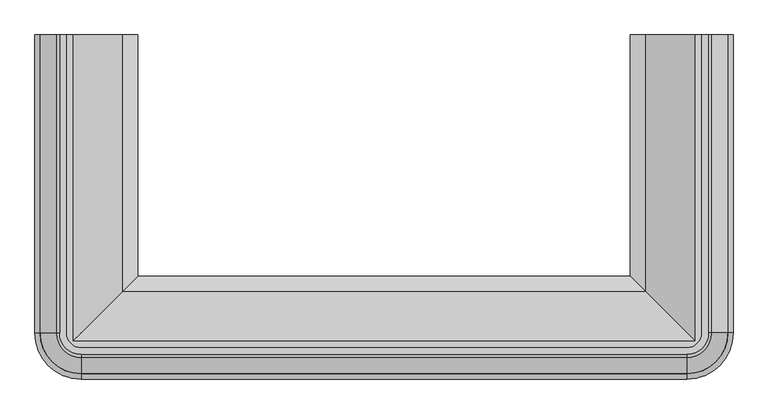
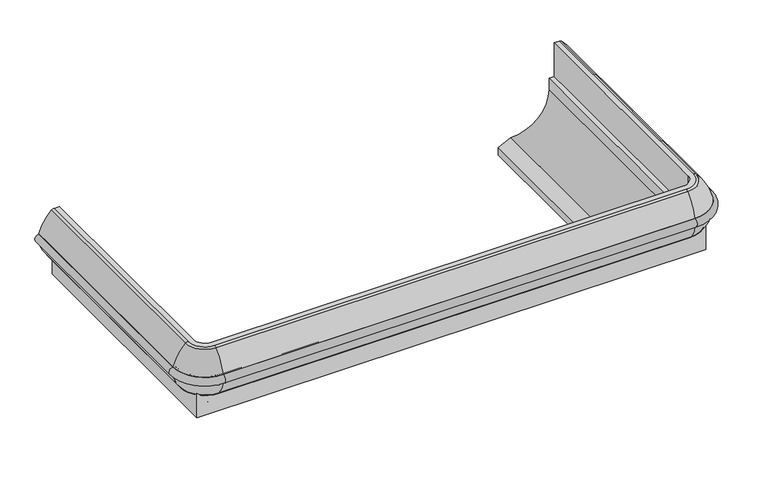
"""IFC4 building model written with IfcOpenShell, lengths in millimetres: proxy geometry."""

from ifc_helpers import new_model, si_unit, point, frame, origin, place, context, project, spatial, polyline, circle_curve, ellipse_curve, trimmed, source, transform, mapped, element, save
from ifc_brep_helpers import plane_surface, cylinder_surface, revolved_surface, advanced_brep


def mechanical_equipment_34b29ff3(model_context):
    return source(origin(), model_context, "Body", "AdvancedBrep", [
        advanced_brep(
        [(17.1230816, -349.0071273, 597.408978), (18.4723382, -349.0071273, 562.7549671), (17.1230816, -1300.0871874, 597.408978), (18.4723382, -1300.0871874, 562.7549671), (147.4699399, -1430.4340457, 597.408978), (147.4699399, -1429.0847891, 562.7549671), (2081.3800601, -1430.4340457, 597.408978), (2081.3800601, -1429.0847891, 562.7549671), (2211.7269184, -1300.0871874, 597.408978), (2210.3776618, -1300.0871874, 562.7549671), (2211.7269184, -349.0071273, 597.408978), (2210.3776618, -349.0071273, 562.7549671)],
        [
            (0, 1, circle_curve(frame((17.9017862, -349.0071273, 580.0860248), z_axis=(0.0, 1.0, 0.0), x_axis=(1.0, 0.0, 0.0)), 17.3404466)),
            (1, 0, circle_curve(frame((17.6936337, -349.0071273, 580.0779203), z_axis=(0.0, 1.0, 0.0), x_axis=(1.0, 0.0, 0.0)), 17.3404466)),
            (0, 2),
            (2, 3, circle_curve(frame((17.9017862, -1300.0871874, 580.0860248), z_axis=(0.0, 1.0, 0.0), x_axis=(1.0, 0.0, 0.0)), 17.3404466)),
            (3, 1),
            (3, 2, circle_curve(frame((17.6936337, -1300.0871874, 580.0779203), z_axis=(0.0, 1.0, 0.0), x_axis=(1.0, 0.0, 0.0)), 17.3404466)),
            (2, 4, circle_curve(frame((147.4699399, -1300.0871874, 597.408978), z_axis=(0.0, 0.0, 1.0), x_axis=(-1.0, 0.0, 0.0)), 130.3468583)),
            (4, 5, circle_curve(frame((147.4699399, -1429.6553411, 580.0860248), z_axis=(-1.0, 0.0, 0.0), x_axis=(0.0, 1.0, 0.0)), 17.3404466)),
            (5, 3, circle_curve(frame((147.4699399, -1300.0871874, 562.7549671), z_axis=(0.0, 0.0, -1.0), x_axis=(-1.0, 0.0, 0.0)), 128.9976017)),
            (5, 4, circle_curve(frame((147.4699399, -1429.8634936, 580.0779203), z_axis=(-1.0, 0.0, 0.0), x_axis=(0.0, 1.0, 0.0)), 17.3404466)),
            (4, 6),
            (6, 7, circle_curve(frame((2081.3800601, -1429.6553411, 580.0860248), z_axis=(-1.0, 0.0, 0.0), x_axis=(0.0, 1.0, 0.0)), 17.3404466)),
            (7, 5),
            (7, 6, circle_curve(frame((2081.3800601, -1429.8634936, 580.0779203), z_axis=(-1.0, 0.0, 0.0), x_axis=(0.0, 1.0, 0.0)), 17.3404466)),
            (6, 8, circle_curve(frame((2081.3800601, -1300.0871874, 597.408978), z_axis=(0.0, 0.0, 1.0), x_axis=(0.0, -1.0, 0.0)), 130.3468583)),
            (8, 9, circle_curve(frame((2210.9482138, -1300.0871874, 580.0860248), z_axis=(0.0, -1.0, 0.0), x_axis=(-1.0, 0.0, 0.0)), 17.3404466)),
            (9, 7, circle_curve(frame((2081.3800601, -1300.0871874, 562.7549671), z_axis=(0.0, 0.0, -1.0), x_axis=(0.0, -1.0, 0.0)), 128.9976017)),
            (9, 8, circle_curve(frame((2211.1563663, -1300.0871874, 580.0779203), z_axis=(0.0, -1.0, 0.0), x_axis=(-1.0, 0.0, 0.0)), 17.3404466)),
            (10, 11, circle_curve(frame((2211.1563663, -349.0071273, 580.0779203), z_axis=(0.0, 1.0, 0.0), x_axis=(-1.0, 0.0, 0.0)), 17.3404466)),
            (11, 10, circle_curve(frame((2210.9482138, -349.0071273, 580.0860248), z_axis=(0.0, 1.0, 0.0), x_axis=(-1.0, 0.0, 0.0)), 17.3404466)),
            (8, 10),
            (11, 9),
        ],
        [
            plane_surface(frame((71.2699399, -349.0071273, 0.0), z_axis=(0.0, 1.0, 0.0), x_axis=(0.0, 0.0, 1.0))),
            cylinder_surface(frame((17.9017862, -349.0071273, 580.0860248), z_axis=(0.0, 1.0, 0.0), x_axis=(1.0, 0.0, 0.0)), 17.3404466),
            cylinder_surface(frame((17.6936337, -349.0071273, 580.0779203), z_axis=(0.0, 1.0, 0.0), x_axis=(1.0, 0.0, 0.0)), 17.3404466),
            revolved_surface(trimmed(ellipse_curve(frame((17.9017862, -1300.0871874, 580.0860248), z_axis=(0.0, 1.0, 0.0), x_axis=(1.0, 0.0, 0.0)), 17.3404466, 17.3404466), [point((17.1230816, -1300.0871874, 597.408978))], [point((18.4723382, -1300.0871874, 562.7549671))], True, "CARTESIAN"), (147.4699399, -1300.0871874, 0.0), (0.0, 0.0, 1.0)),
            revolved_surface(trimmed(ellipse_curve(frame((17.6936337, -1300.0871874, 580.0779203), z_axis=(0.0, 1.0, 0.0), x_axis=(1.0, 0.0, 0.0)), 17.3404466, 17.3404466), [point((18.4723382, -1300.0871874, 562.7549671))], [point((17.1230816, -1300.0871874, 597.408978))], True, "CARTESIAN"), (147.4699399, -1300.0871874, 0.0), (0.0, 0.0, 1.0)),
            cylinder_surface(frame((147.4699399, -1429.6553411, 580.0860248), z_axis=(-1.0, 0.0, 0.0), x_axis=(0.0, 1.0, 0.0)), 17.3404466),
            cylinder_surface(frame((147.4699399, -1429.8634936, 580.0779203), z_axis=(-1.0, 0.0, 0.0), x_axis=(0.0, 1.0, 0.0)), 17.3404466),
            revolved_surface(trimmed(ellipse_curve(frame((2081.3800601, -1429.6553411, 580.0860248), z_axis=(-1.0, 0.0, 0.0), x_axis=(0.0, 1.0, 0.0)), 17.3404466, 17.3404466), [point((2081.3800601, -1430.4340457, 597.408978))], [point((2081.3800601, -1429.0847891, 562.7549671))], True, "CARTESIAN"), (2081.3800601, -1300.0871874, 0.0), (0.0, 0.0, 1.0)),
            revolved_surface(trimmed(ellipse_curve(frame((2081.3800601, -1429.8634936, 580.0779203), z_axis=(-1.0, 0.0, 0.0), x_axis=(0.0, 1.0, 0.0)), 17.3404466, 17.3404466), [point((2081.3800601, -1429.0847891, 562.7549671))], [point((2081.3800601, -1430.4340457, 597.408978))], True, "CARTESIAN"), (2081.3800601, -1300.0871874, 0.0), (0.0, 0.0, 1.0)),
            plane_surface(frame((2157.5800601, -349.0071273, 0.0), z_axis=(0.0, 1.0, 0.0), x_axis=(0.0, 0.0, 1.0))),
            cylinder_surface(frame((2210.9482138, -1300.0871874, 580.0860248), z_axis=(0.0, -1.0, 0.0), x_axis=(-1.0, 0.0, 0.0)), 17.3404466),
            cylinder_surface(frame((2211.1563663, -1300.0871874, 580.0779203), z_axis=(0.0, -1.0, 0.0), x_axis=(-1.0, 0.0, 0.0)), 17.3404466),
        ],
        [
            (0, [[1, 2]]),
            (1, [[-1, 3, 4, 5]]),
            (2, [[-2, -5, 6, -3]]),
            (3, [[-4, 7, 8, 9]]),
            (4, [[-6, -9, 10, -7]]),
            (5, [[-8, 11, 12, 13]]),
            (6, [[-10, -13, 14, -11]]),
            (7, [[-12, 15, 16, 17]]),
            (8, [[-14, -17, 18, -15]]),
            (9, [[19, 20]]),
            (10, [[-16, 21, -20, 22]]),
            (11, [[-18, -22, -19, -21]]),
        ],
    ),
        advanced_brep(
        [(100.1939807, -349.0071273, 541.076769), (71.2699399, -349.0071273, 541.076769), (71.2699399, -349.0071273, 495.203202), (49.2430965, -349.0071273, 495.203202), (46.9186553, -349.0071273, 499.8536403), (16.9149291, -349.0071273, 562.7549671), (17.1230816, -349.0071273, 597.408978), (68.198558, -349.0071273, 682.3775932), (78.9849807, -349.0071273, 686.604902), (100.1939807, -349.0071273, 686.604902), (100.1939807, -1300.0871874, 541.076769), (147.4699399, -1347.3631466, 541.076769), (2081.3800601, -1347.3631466, 541.076769), (2128.6560193, -1300.0871874, 541.076769), (2128.6560193, -349.0071273, 541.076769), (2157.5800601, -349.0071273, 541.076769), (2157.5800601, -1300.0871874, 541.076769), (2081.3800601, -1376.2871874, 541.076769), (147.4699399, -1376.2871874, 541.076769), (71.2699399, -1300.0871874, 541.076769), (71.2699399, -1300.0871874, 495.203202), (147.4699399, -1376.2871874, 495.203202), (2081.3800601, -1376.2871874, 495.203202), (2157.5800601, -1300.0871874, 495.203202), (2157.5800601, -349.0071273, 495.203202), (2179.6069035, -349.0071273, 495.203202), (2179.6069035, -1300.0871874, 495.203202), (2081.3800601, -1398.3140308, 495.203202), (147.4699399, -1398.3140308, 495.203202), (49.2430965, -1300.0871874, 495.203202), (46.9186553, -1300.0871874, 499.8536403), (16.9149291, -1300.0871874, 562.7549671), (17.1230816, -1300.0871874, 597.408978), (68.198558, -1300.0871874, 682.3775932), (78.9849807, -1300.0871874, 686.604902), (147.4699399, -1368.5721466, 686.604902), (2081.3800601, -1368.5721466, 686.604902), (2149.8650193, -1300.0871874, 686.604902), (2149.8650193, -349.0071273, 686.604902), (2128.6560193, -349.0071273, 686.604902), (2128.6560193, -1300.0871874, 686.604902), (2081.3800601, -1347.3631466, 686.604902), (147.4699399, -1347.3631466, 686.604902), (100.1939807, -1300.0871874, 686.604902), (147.4699399, -1400.638472, 499.8536403), (147.4699399, -1430.6421982, 562.7549671), (147.4699399, -1430.4340457, 597.408978), (147.4699399, -1379.3585693, 682.3775932), (2081.3800601, -1400.638472, 499.8536403), (2081.3800601, -1430.6421982, 562.7549671), (2081.3800601, -1430.4340457, 597.408978), (2081.3800601, -1379.3585693, 682.3775932), (2181.9313447, -1300.0871874, 499.8536403), (2211.9350709, -1300.0871874, 562.7549671), (2211.7269184, -1300.0871874, 597.408978), (2160.651442, -1300.0871874, 682.3775932), (2160.651442, -349.0071273, 682.3775932), (2211.7269184, -349.0071273, 597.408978), (2211.9350709, -349.0071273, 562.7549671), (2181.9313447, -349.0071273, 499.8536403)],
        [
            (0, 1),
            (1, 2),
            (2, 3),
            (3, 4),
            (4, 5, circle_curve(frame((142.1451631, -349.0071273, 583.8828745), z_axis=(0.0, 1.0, 0.0), x_axis=(1.0, 0.0, 0.0)), 126.9999999)),
            (5, 6, circle_curve(frame((17.6936337, -349.0071273, 580.0779203), z_axis=(0.0, -1.0, 0.0), x_axis=(1.0, 0.0, 0.0)), 17.3404466)),
            (6, 7, circle_curve(frame((189.0064925, -349.0071273, 551.923452), z_axis=(0.0, 1.0, 0.0), x_axis=(1.0, 0.0, 0.0)), 177.8)),
            (7, 8, circle_curve(frame((78.9849807, -349.0071273, 670.729902), z_axis=(0.0, 1.0, 0.0), x_axis=(1.0, 0.0, 0.0)), 15.875)),
            (8, 9),
            (9, 0),
            (0, 10),
            (10, 11, circle_curve(frame((147.4699399, -1300.0871874, 541.076769), z_axis=(0.0, 0.0, 1.0), x_axis=(-1.0, 0.0, 0.0)), 47.2759592)),
            (11, 12),
            (12, 13, circle_curve(frame((2081.3800601, -1300.0871874, 541.076769), z_axis=(0.0, 0.0, 1.0), x_axis=(0.0, -1.0, 0.0)), 47.2759592)),
            (13, 14),
            (14, 15),
            (15, 16),
            (16, 17, circle_curve(frame((2081.3800601, -1300.0871874, 541.076769), z_axis=(0.0, 0.0, -1.0), x_axis=(0.0, -1.0, 0.0)), 76.2)),
            (17, 18),
            (18, 19, circle_curve(frame((147.4699399, -1300.0871874, 541.076769), z_axis=(0.0, 0.0, -1.0), x_axis=(-1.0, 0.0, 0.0)), 76.2)),
            (19, 1),
            (19, 20),
            (20, 2),
            (20, 21, circle_curve(frame((147.4699399, -1300.0871874, 495.203202), z_axis=(0.0, 0.0, 1.0), x_axis=(-1.0, 0.0, 0.0)), 76.2)),
            (21, 22),
            (22, 23, circle_curve(frame((2081.3800601, -1300.0871874, 495.203202), z_axis=(0.0, 0.0, 1.0), x_axis=(0.0, -1.0, 0.0)), 76.2)),
            (23, 24),
            (24, 25),
            (25, 26),
            (26, 27, circle_curve(frame((2081.3800601, -1300.0871874, 495.203202), z_axis=(0.0, 0.0, -1.0), x_axis=(0.0, -1.0, 0.0)), 98.2268434)),
            (27, 28),
            (28, 29, circle_curve(frame((147.4699399, -1300.0871874, 495.203202), z_axis=(0.0, 0.0, -1.0), x_axis=(-1.0, 0.0, 0.0)), 98.2268434)),
            (29, 3),
            (29, 30),
            (30, 4),
            (30, 31, circle_curve(frame((142.1451631, -1300.0871874, 583.8828745), z_axis=(0.0, 1.0, 0.0), x_axis=(1.0, 0.0, 0.0)), 126.9999999)),
            (31, 5),
            (31, 32, circle_curve(frame((17.6936337, -1300.0871874, 580.0779203), z_axis=(0.0, -1.0, 0.0), x_axis=(1.0, 0.0, 0.0)), 17.3404466)),
            (32, 6),
            (32, 33, circle_curve(frame((189.0064925, -1300.0871874, 551.923452), z_axis=(0.0, 1.0, 0.0), x_axis=(1.0, 0.0, 0.0)), 177.8)),
            (33, 7),
            (33, 34, circle_curve(frame((78.9849807, -1300.0871874, 670.729902), z_axis=(0.0, 1.0, 0.0), x_axis=(1.0, 0.0, 0.0)), 15.875)),
            (34, 8),
            (34, 35, circle_curve(frame((147.4699399, -1300.0871874, 686.604902), z_axis=(0.0, 0.0, 1.0), x_axis=(-1.0, 0.0, 0.0)), 68.4849592)),
            (35, 36),
            (36, 37, circle_curve(frame((2081.3800601, -1300.0871874, 686.604902), z_axis=(0.0, 0.0, 1.0), x_axis=(0.0, -1.0, 0.0)), 68.4849592)),
            (37, 38),
            (38, 39),
            (39, 40),
            (40, 41, circle_curve(frame((2081.3800601, -1300.0871874, 686.604902), z_axis=(0.0, 0.0, -1.0), x_axis=(0.0, -1.0, 0.0)), 47.2759592)),
            (41, 42),
            (42, 43, circle_curve(frame((147.4699399, -1300.0871874, 686.604902), z_axis=(0.0, 0.0, -1.0), x_axis=(-1.0, 0.0, 0.0)), 47.2759592)),
            (43, 9),
            (43, 10),
            (18, 21),
            (28, 44),
            (44, 30, circle_curve(frame((147.4699399, -1300.0871874, 499.8536403), z_axis=(0.0, 0.0, -1.0), x_axis=(-1.0, 0.0, 0.0)), 100.5512846)),
            (44, 45, circle_curve(frame((147.4699399, -1305.4119642, 583.8828745), z_axis=(-1.0, 0.0, 0.0), x_axis=(0.0, 1.0, 0.0)), 126.9999999)),
            (45, 31, circle_curve(frame((147.4699399, -1300.0871874, 562.7549671), z_axis=(0.0, 0.0, -1.0), x_axis=(-1.0, 0.0, 0.0)), 130.5550109)),
            (45, 46, circle_curve(frame((147.4699399, -1429.8634936, 580.0779203), z_axis=(1.0, 0.0, 0.0), x_axis=(0.0, 1.0, 0.0)), 17.3404466)),
            (46, 32, circle_curve(frame((147.4699399, -1300.0871874, 597.408978), z_axis=(0.0, 0.0, -1.0), x_axis=(-1.0, 0.0, 0.0)), 130.3468583)),
            (46, 47, circle_curve(frame((147.4699399, -1258.5506348, 551.923452), z_axis=(-1.0, 0.0, 0.0), x_axis=(0.0, 1.0, 0.0)), 177.8)),
            (47, 33, circle_curve(frame((147.4699399, -1300.0871874, 682.3775932), z_axis=(0.0, 0.0, -1.0), x_axis=(-1.0, 0.0, 0.0)), 79.2713819)),
            (47, 35, circle_curve(frame((147.4699399, -1368.5721466, 670.729902), z_axis=(-1.0, 0.0, 0.0), x_axis=(0.0, 1.0, 0.0)), 15.875)),
            (42, 11),
            (17, 22),
            (27, 48),
            (48, 44),
            (48, 49, circle_curve(frame((2081.3800601, -1305.4119642, 583.8828745), z_axis=(-1.0, 0.0, 0.0), x_axis=(0.0, 1.0, 0.0)), 126.9999999)),
            (49, 45),
            (49, 50, circle_curve(frame((2081.3800601, -1429.8634936, 580.0779203), z_axis=(1.0, 0.0, 0.0), x_axis=(0.0, 1.0, 0.0)), 17.3404466)),
            (50, 46),
            (50, 51, circle_curve(frame((2081.3800601, -1258.5506348, 551.923452), z_axis=(-1.0, 0.0, 0.0), x_axis=(0.0, 1.0, 0.0)), 177.8)),
            (51, 47),
            (51, 36, circle_curve(frame((2081.3800601, -1368.5721466, 670.729902), z_axis=(-1.0, 0.0, 0.0), x_axis=(0.0, 1.0, 0.0)), 15.875)),
            (41, 12),
            (16, 23),
            (26, 52),
            (52, 48, circle_curve(frame((2081.3800601, -1300.0871874, 499.8536403), z_axis=(0.0, 0.0, -1.0), x_axis=(0.0, -1.0, 0.0)), 100.5512846)),
            (52, 53, circle_curve(frame((2086.7048369, -1300.0871874, 583.8828745), z_axis=(0.0, -1.0, 0.0), x_axis=(-1.0, 0.0, 0.0)), 126.9999999)),
            (53, 49, circle_curve(frame((2081.3800601, -1300.0871874, 562.7549671), z_axis=(0.0, 0.0, -1.0), x_axis=(0.0, -1.0, 0.0)), 130.5550109)),
            (53, 54, circle_curve(frame((2211.1563663, -1300.0871874, 580.0779203), z_axis=(0.0, 1.0, 0.0), x_axis=(-1.0, 0.0, 0.0)), 17.3404466)),
            (54, 50, circle_curve(frame((2081.3800601, -1300.0871874, 597.408978), z_axis=(0.0, 0.0, -1.0), x_axis=(0.0, -1.0, 0.0)), 130.3468583)),
            (54, 55, circle_curve(frame((2039.8435075, -1300.0871874, 551.923452), z_axis=(0.0, -1.0, 0.0), x_axis=(-1.0, 0.0, 0.0)), 177.8)),
            (55, 51, circle_curve(frame((2081.3800601, -1300.0871874, 682.3775932), z_axis=(0.0, 0.0, -1.0), x_axis=(0.0, -1.0, 0.0)), 79.2713819)),
            (55, 37, circle_curve(frame((2149.8650193, -1300.0871874, 670.729902), z_axis=(0.0, -1.0, 0.0), x_axis=(-1.0, 0.0, 0.0)), 15.875)),
            (40, 13),
            (14, 39),
            (38, 56, circle_curve(frame((2149.8650193, -349.0071273, 670.729902), z_axis=(0.0, 1.0, 0.0), x_axis=(-1.0, 0.0, 0.0)), 15.875)),
            (56, 57, circle_curve(frame((2039.8435075, -349.0071273, 551.923452), z_axis=(0.0, 1.0, 0.0), x_axis=(-1.0, 0.0, 0.0)), 177.8)),
            (57, 58, circle_curve(frame((2211.1563663, -349.0071273, 580.0779203), z_axis=(0.0, -1.0, 0.0), x_axis=(-1.0, 0.0, 0.0)), 17.3404466)),
            (58, 59, circle_curve(frame((2086.7048369, -349.0071273, 583.8828745), z_axis=(0.0, 1.0, 0.0), x_axis=(-1.0, 0.0, 0.0)), 126.9999999)),
            (59, 25),
            (24, 15),
            (59, 52),
            (58, 53),
            (57, 54),
            (56, 55),
        ],
        [
            plane_surface(frame((71.2699399, -349.0071273, 0.0), z_axis=(0.0, 1.0, 0.0), x_axis=(0.0, 0.0, 1.0))),
            plane_surface(frame((100.1939807, -349.0071273, 541.076769), z_axis=(0.0, 0.0, -1.0), x_axis=(0.0, -1.0, 0.0))),
            plane_surface(frame((71.2699399, -349.0071273, 541.076769), z_axis=(1.0, 0.0, 0.0), x_axis=(0.0, -1.0, 0.0))),
            plane_surface(frame((71.2699399, -349.0071273, 495.203202), z_axis=(0.0, 0.0, -1.0), x_axis=(0.0, -1.0, 0.0))),
            plane_surface(frame((49.2430965, -349.0071273, 495.203202), z_axis=(-0.8944870379707439, 0.0, -0.4470938815308537), x_axis=(0.0, -1.0, 0.0))),
            cylinder_surface(frame((142.1451631, -349.0071273, 583.8828745), z_axis=(0.0, 1.0, 0.0), x_axis=(1.0, 0.0, 0.0)), 126.9999999),
            revolved_surface(polyline([(35.0340803, -1300.0871874, 580.0779203), (35.0340803, -349.0071273, 580.0779203)]), (17.6936337, -349.0071273, 580.0779203), (0.0, -1.0, 0.0)),
            cylinder_surface(frame((189.0064925, -349.0071273, 551.923452), z_axis=(0.0, 1.0, 0.0), x_axis=(1.0, 0.0, 0.0)), 177.8),
            cylinder_surface(frame((78.9849807, -349.0071273, 670.729902), z_axis=(0.0, 1.0, 0.0), x_axis=(1.0, 0.0, 0.0)), 15.875),
            plane_surface(frame((78.9849807, -349.0071273, 686.604902), z_axis=(0.0, 0.0, 1.0), x_axis=(0.0, -1.0, 0.0))),
            plane_surface(frame((100.1939807, -349.0071273, 686.604902), z_axis=(1.0, 0.0, 0.0), x_axis=(0.0, -1.0, 0.0))),
            revolved_surface(polyline([(71.26993990000001, -1300.0871874, 541.076769), (71.26993990000001, -1300.0871874, 495.203202)]), (147.4699399, -1300.0871874, 0.0), (0.0, 0.0, 1.0)),
            revolved_surface(polyline([(49.2430965, -1300.0871874, 495.203202), (46.9186553, -1300.0871874, 499.8536403)]), (147.4699399, -1300.0871874, 0.0), (0.0, 0.0, 1.0)),
            revolved_surface(trimmed(ellipse_curve(frame((142.1451631, -1300.0871874, 583.8828745), z_axis=(0.0, 1.0, 0.0), x_axis=(1.0, 0.0, 0.0)), 126.9999999, 126.9999999), [point((46.9186553, -1300.0871874, 499.8536403))], [point((16.9149291, -1300.0871874, 562.7549671))], True, "CARTESIAN"), (147.4699399, -1300.0871874, 0.0), (0.0, 0.0, 1.0)),
            revolved_surface(trimmed(ellipse_curve(frame((17.6936337, -1300.0871874, 580.0779203), z_axis=(0.0, -1.0, 0.0), x_axis=(1.0, 0.0, 0.0)), 17.3404466, 17.3404466), [point((16.9149291, -1300.0871874, 562.7549671))], [point((17.1230816, -1300.0871874, 597.408978))], True, "CARTESIAN"), (147.4699399, -1300.0871874, 0.0), (0.0, 0.0, 1.0)),
            revolved_surface(trimmed(ellipse_curve(frame((189.0064925, -1300.0871874, 551.923452), z_axis=(0.0, 1.0, 0.0), x_axis=(1.0, 0.0, 0.0)), 177.8, 177.8), [point((17.1230816, -1300.0871874, 597.408978))], [point((68.198558, -1300.0871874, 682.3775932))], True, "CARTESIAN"), (147.4699399, -1300.0871874, 0.0), (0.0, 0.0, 1.0)),
            revolved_surface(trimmed(ellipse_curve(frame((78.9849807, -1300.0871874, 670.729902), z_axis=(0.0, 1.0, 0.0), x_axis=(1.0, 0.0, 0.0)), 15.875, 15.875), [point((68.198558, -1300.0871874, 682.3775932))], [point((78.9849807, -1300.0871874, 686.604902))], True, "CARTESIAN"), (147.4699399, -1300.0871874, 0.0), (0.0, 0.0, 1.0)),
            revolved_surface(polyline([(100.19398070000001, -1300.0871874, 686.604902), (100.19398070000001, -1300.0871874, 541.076769)]), (147.4699399, -1300.0871874, 0.0), (0.0, 0.0, 1.0)),
            plane_surface(frame((147.4699399, -1376.2871874, 541.076769), z_axis=(0.0, 1.0, 0.0), x_axis=(1.0, 0.0, 0.0))),
            plane_surface(frame((147.4699399, -1398.3140308, 495.203202), z_axis=(0.0, -0.8944870379707439, -0.4470938815308537), x_axis=(1.0, 0.0, 0.0))),
            cylinder_surface(frame((147.4699399, -1305.4119642, 583.8828745), z_axis=(-1.0, 0.0, 0.0), x_axis=(0.0, 1.0, 0.0)), 126.9999999),
            revolved_surface(polyline([(2081.3800601, -1412.5230470000001, 580.0779203), (147.4699399, -1412.5230470000001, 580.0779203)]), (147.4699399, -1429.8634936, 580.0779203), (1.0, 0.0, 0.0)),
            cylinder_surface(frame((147.4699399, -1258.5506348, 551.923452), z_axis=(-1.0, 0.0, 0.0), x_axis=(0.0, 1.0, 0.0)), 177.8),
            cylinder_surface(frame((147.4699399, -1368.5721466, 670.729902), z_axis=(-1.0, 0.0, 0.0), x_axis=(0.0, 1.0, 0.0)), 15.875),
            plane_surface(frame((147.4699399, -1347.3631466, 686.604902), z_axis=(0.0, 1.0, 0.0), x_axis=(1.0, 0.0, 0.0))),
            revolved_surface(polyline([(2081.3800601, -1376.2871874, 541.076769), (2081.3800601, -1376.2871874, 495.203202)]), (2081.3800601, -1300.0871874, 0.0), (0.0, 0.0, 1.0)),
            revolved_surface(polyline([(2081.3800601, -1398.3140308, 495.203202), (2081.3800601, -1400.638472, 499.8536403)]), (2081.3800601, -1300.0871874, 0.0), (0.0, 0.0, 1.0)),
            revolved_surface(trimmed(ellipse_curve(frame((2081.3800601, -1305.4119642, 583.8828745), z_axis=(-1.0, 0.0, 0.0), x_axis=(0.0, 1.0, 0.0)), 126.9999999, 126.9999999), [point((2081.3800601, -1400.638472, 499.8536403))], [point((2081.3800601, -1430.6421982, 562.7549671))], True, "CARTESIAN"), (2081.3800601, -1300.0871874, 0.0), (0.0, 0.0, 1.0)),
            revolved_surface(trimmed(ellipse_curve(frame((2081.3800601, -1429.8634936, 580.0779203), z_axis=(1.0, 0.0, 0.0), x_axis=(0.0, 1.0, 0.0)), 17.3404466, 17.3404466), [point((2081.3800601, -1430.6421982, 562.7549671))], [point((2081.3800601, -1430.4340457, 597.408978))], True, "CARTESIAN"), (2081.3800601, -1300.0871874, 0.0), (0.0, 0.0, 1.0)),
            revolved_surface(trimmed(ellipse_curve(frame((2081.3800601, -1258.5506348, 551.923452), z_axis=(-1.0, 0.0, 0.0), x_axis=(0.0, 1.0, 0.0)), 177.8, 177.8), [point((2081.3800601, -1430.4340457, 597.408978))], [point((2081.3800601, -1379.3585693, 682.3775932))], True, "CARTESIAN"), (2081.3800601, -1300.0871874, 0.0), (0.0, 0.0, 1.0)),
            revolved_surface(trimmed(ellipse_curve(frame((2081.3800601, -1368.5721466, 670.729902), z_axis=(-1.0, 0.0, 0.0), x_axis=(0.0, 1.0, 0.0)), 15.875, 15.875), [point((2081.3800601, -1379.3585693, 682.3775932))], [point((2081.3800601, -1368.5721466, 686.604902))], True, "CARTESIAN"), (2081.3800601, -1300.0871874, 0.0), (0.0, 0.0, 1.0)),
            revolved_surface(polyline([(2081.3800601, -1347.3631466, 686.604902), (2081.3800601, -1347.3631466, 541.076769)]), (2081.3800601, -1300.0871874, 0.0), (0.0, 0.0, 1.0)),
            plane_surface(frame((2157.5800601, -349.0071273, 0.0), z_axis=(0.0, 1.0, 0.0), x_axis=(0.0, 0.0, 1.0))),
            plane_surface(frame((2157.5800601, -1300.0871874, 541.076769), z_axis=(-1.0, 0.0, 0.0), x_axis=(0.0, 1.0, 0.0))),
            plane_surface(frame((2179.6069035, -1300.0871874, 495.203202), z_axis=(0.8944870379707439, 0.0, -0.4470938815308537), x_axis=(0.0, 1.0, 0.0))),
            cylinder_surface(frame((2086.7048369, -1300.0871874, 583.8828745), z_axis=(0.0, -1.0, 0.0), x_axis=(-1.0, 0.0, 0.0)), 126.9999999),
            revolved_surface(polyline([(2193.8159197, -349.0071273, 580.0779203), (2193.8159197, -1300.0871874, 580.0779203)]), (2211.1563663, -1300.0871874, 580.0779203), (0.0, 1.0, 0.0)),
            cylinder_surface(frame((2039.8435075, -1300.0871874, 551.923452), z_axis=(0.0, -1.0, 0.0), x_axis=(-1.0, 0.0, 0.0)), 177.8),
            cylinder_surface(frame((2149.8650193, -1300.0871874, 670.729902), z_axis=(0.0, -1.0, 0.0), x_axis=(-1.0, 0.0, 0.0)), 15.875),
            plane_surface(frame((2128.6560193, -1300.0871874, 686.604902), z_axis=(-1.0, 0.0, 0.0), x_axis=(0.0, 1.0, 0.0))),
        ],
        [
            (0, [[1, 2, 3, 4, 5, 6, 7, 8, 9, 10]]),
            (1, [[-1, 11, 12, 13, 14, 15, 16, 17, 18, 19, 20, 21]]),
            (2, [[-2, -21, 22, 23]]),
            (3, [[-3, -23, 24, 25, 26, 27, 28, 29, 30, 31, 32, 33]]),
            (4, [[-4, -33, 34, 35]]),
            (5, [[-5, -35, 36, 37]]),
            (6, [[-6, -37, 38, 39]]),
            (7, [[-7, -39, 40, 41]]),
            (8, [[-8, -41, 42, 43]]),
            (9, [[-9, -43, 44, 45, 46, 47, 48, 49, 50, 51, 52, 53]]),
            (10, [[-10, -53, 54, -11]]),
            (11, [[-20, 55, -24, -22]]),
            (12, [[-32, 56, 57, -34]]),
            (13, [[-36, -57, 58, 59]]),
            (14, [[-38, -59, 60, 61]]),
            (15, [[-40, -61, 62, 63]]),
            (16, [[-42, -63, 64, -44]]),
            (17, [[-12, -54, -52, 65]]),
            (18, [[-19, 66, -25, -55]]),
            (19, [[-31, 67, 68, -56]]),
            (20, [[-58, -68, 69, 70]]),
            (21, [[-60, -70, 71, 72]]),
            (22, [[-62, -72, 73, 74]]),
            (23, [[-45, -64, -74, 75]]),
            (24, [[-13, -65, -51, 76]]),
            (25, [[-18, 77, -26, -66]]),
            (26, [[-30, 78, 79, -67]]),
            (27, [[-69, -79, 80, 81]]),
            (28, [[-71, -81, 82, 83]]),
            (29, [[-73, -83, 84, 85]]),
            (30, [[-46, -75, -85, 86]]),
            (31, [[-14, -76, -50, 87]]),
            (32, [[-16, 88, -48, 89, 90, 91, 92, 93, -28, 94]]),
            (33, [[-17, -94, -27, -77]]),
            (34, [[-29, -93, 95, -78]]),
            (35, [[-80, -95, -92, 96]]),
            (36, [[-82, -96, -91, 97]]),
            (37, [[-84, -97, -90, 98]]),
            (38, [[-47, -86, -98, -89]]),
            (39, [[-15, -87, -49, -88]]),
        ],
    ),
        advanced_brep(
        [(71.2699399, -349.0071273, 404.1067023), (71.2699399, -349.0071273, 541.076769), (120.7745401, -349.0071273, 541.076769), (120.7745401, -349.0071273, 491.4134343), (278.4933105, -349.0071273, 339.1062753), (328.0944914, -349.0071273, 311.6105819), (328.0944914, -349.0071273, 280.009219), (224.9758449, -349.0071273, 280.009219), (71.2699399, -1376.2871874, 404.1067023), (71.2699399, -1376.2871874, 541.076769), (2157.5800601, -1376.2871874, 541.076769), (2157.5800601, -349.0071273, 541.076769), (2108.0754599, -349.0071273, 541.076769), (2108.0754599, -1326.7825872, 541.076769), (120.7745401, -1326.7825872, 541.076769), (120.7745401, -1326.7825872, 491.4134343), (278.4933105, -1169.0638168, 339.1062753), (328.0944914, -1119.4626359, 311.6105819), (328.0944914, -1119.4626359, 280.009219), (1900.7555086, -1119.4626359, 280.009219), (1900.7555086, -349.0071273, 280.009219), (2003.8741551, -349.0071273, 280.009219), (2003.8741551, -1222.5812824, 280.009219), (224.9758449, -1222.5812824, 280.009219), (2157.5800601, -1376.2871874, 404.1067023), (2108.0754599, -1326.7825872, 491.4134343), (1950.3566895, -1169.0638168, 339.1062753), (1900.7555086, -1119.4626359, 311.6105819), (2157.5800601, -349.0071273, 404.1067023), (1900.7555086, -349.0071273, 311.6105819), (1950.3566895, -349.0071273, 339.1062753), (2108.0754599, -349.0071273, 491.4134343)],
        [
            (0, 1),
            (1, 2),
            (2, 3),
            (3, 4, circle_curve(frame((273.1745401, -349.0071273, 491.4134343), z_axis=(0.0, -1.0, 0.0), x_axis=(1.0, 0.0, 0.0)), 152.4)),
            (4, 5),
            (5, 6),
            (6, 7),
            (7, 0),
            (0, 8),
            (8, 9),
            (9, 1),
            (9, 10),
            (10, 11),
            (11, 12),
            (12, 13),
            (13, 14),
            (14, 2),
            (14, 15),
            (15, 3),
            (15, 16, ellipse_curve(frame((273.1745401, -1174.3825872, 491.4134343), z_axis=(0.7071067811865457, -0.7071067811865495, 0.0), x_axis=(-0.7071067811865493, -0.7071067811865456, 0.0)), 215.5261469, 152.4)),
            (16, 4),
            (16, 17),
            (17, 5),
            (17, 18),
            (18, 6),
            (18, 19),
            (19, 20),
            (20, 21),
            (21, 22),
            (22, 23),
            (23, 7),
            (23, 8),
            (8, 24),
            (24, 10),
            (13, 25),
            (25, 15),
            (25, 26, ellipse_curve(frame((1955.6754599, -1174.3825872, 491.4134343), z_axis=(0.7071067811865495, 0.7071067811865456, 0.0), x_axis=(0.7071067811865455, -0.7071067811865495, 0.0)), 215.5261469, 152.4)),
            (26, 16),
            (26, 27),
            (27, 17),
            (27, 19),
            (22, 24),
            (11, 28),
            (28, 21),
            (20, 29),
            (29, 30),
            (30, 31, circle_curve(frame((1955.6754599, -349.0071273, 491.4134343), z_axis=(0.0, -1.0, 0.0), x_axis=(-1.0, 0.0, 0.0)), 152.4)),
            (31, 12),
            (24, 28),
            (31, 25),
            (30, 26),
            (29, 27),
        ],
        [
            plane_surface(frame((0.0, -349.0071273, 0.0), z_axis=(0.0, 1.0, 0.0), x_axis=(0.0, 0.0, 1.0))),
            plane_surface(frame((71.2699399, -349.0071273, 404.1067023), z_axis=(-1.0, 0.0, 0.0), x_axis=(0.0, -1.0, 0.0))),
            plane_surface(frame((71.2699399, -349.0071273, 541.076769), z_axis=(0.0, 0.0, 1.0), x_axis=(0.0, -1.0, 0.0))),
            plane_surface(frame((120.7745401, -349.0071273, 541.076769), z_axis=(1.0, 0.0, 0.0), x_axis=(0.0, -1.0, 0.0))),
            revolved_surface(polyline([(425.57454010000004, -1326.7825872, 491.4134343), (425.57454010000004, -349.0071273, 491.4134343)]), (273.1745401, -349.0071273, 491.4134343), (0.0, -1.0, 0.0)),
            plane_surface(frame((278.4933105, -349.0071273, 339.1062753), z_axis=(0.4848272875913403, 0.0, 0.874609913736875), x_axis=(0.0, -1.0, 0.0))),
            plane_surface(frame((328.0944914, -349.0071273, 311.6105819), z_axis=(1.0, 0.0, 0.0), x_axis=(0.0, -1.0, 0.0))),
            plane_surface(frame((328.0944914, -349.0071273, 280.009219), z_axis=(0.0, 0.0, -1.0), x_axis=(0.0, -1.0, 0.0))),
            plane_surface(frame((224.9758449, -349.0071273, 280.009219), z_axis=(-0.6281851642637353, 0.0, -0.7780638787393641), x_axis=(0.0, -1.0, 0.0))),
            plane_surface(frame((71.2699399, -1376.2871874, 404.1067023), z_axis=(0.0, -1.0, 0.0), x_axis=(1.0, 0.0, 0.0))),
            plane_surface(frame((120.7745401, -1326.7825872, 541.076769), z_axis=(0.0, 1.0, 0.0), x_axis=(1.0, 0.0, 0.0))),
            revolved_surface(polyline([(2108.0754599, -1021.9825872, 491.4134343), (120.7745401, -1021.9825872, 491.4134343)]), (0.0, -1174.3825872, 491.4134343), (1.0, 0.0, 0.0)),
            plane_surface(frame((278.4933105, -1169.0638168, 339.1062753), z_axis=(0.0, 0.4848272875913403, 0.874609913736875), x_axis=(1.0, 0.0, 0.0))),
            plane_surface(frame((328.0944914, -1119.4626359, 311.6105819), z_axis=(0.0, 1.0, 0.0), x_axis=(1.0, 0.0, 0.0))),
            plane_surface(frame((224.9758449, -1222.5812824, 280.009219), z_axis=(0.0, -0.6281851642637353, -0.7780638787393641), x_axis=(1.0, 0.0, 0.0))),
            plane_surface(frame((2228.85, -349.0071273, 0.0), z_axis=(0.0, 1.0, 0.0), x_axis=(0.0, 0.0, 1.0))),
            plane_surface(frame((2157.5800601, -1376.2871874, 404.1067023), z_axis=(1.0, 0.0, 0.0), x_axis=(0.0, 1.0, 0.0))),
            plane_surface(frame((2108.0754599, -1326.7825872, 541.076769), z_axis=(-1.0, 0.0, 0.0), x_axis=(0.0, 1.0, 0.0))),
            revolved_surface(polyline([(1803.2754599, -349.00712729999987, 491.4134343), (1803.2754599, -1326.7825872, 491.4134343)]), (1955.6754599, -1447.5571273, 491.4134343), (0.0, 1.0, 0.0)),
            plane_surface(frame((1950.3566895, -1169.0638168, 339.1062753), z_axis=(-0.4848272875913403, 0.0, 0.874609913736875), x_axis=(0.0, 1.0, 0.0))),
            plane_surface(frame((1900.7555086, -1119.4626359, 311.6105819), z_axis=(-1.0, 0.0, 0.0), x_axis=(0.0, 1.0, 0.0))),
            plane_surface(frame((2003.8741551, -1222.5812824, 280.009219), z_axis=(0.6281851642637353, 0.0, -0.7780638787393641), x_axis=(0.0, 1.0, 0.0))),
        ],
        [
            (0, [[1, 2, 3, 4, 5, 6, 7, 8]]),
            (1, [[-1, 9, 10, 11]]),
            (2, [[-2, -11, 12, 13, 14, 15, 16, 17]]),
            (3, [[-3, -17, 18, 19]]),
            (4, [[-4, -19, 20, 21]]),
            (5, [[-5, -21, 22, 23]]),
            (6, [[-6, -23, 24, 25]]),
            (7, [[-7, -25, 26, 27, 28, 29, 30, 31]]),
            (8, [[-8, -31, 32, -9]]),
            (9, [[-10, 33, 34, -12]]),
            (10, [[-16, 35, 36, -18]]),
            (11, [[-20, -36, 37, 38]]),
            (12, [[-22, -38, 39, 40]]),
            (13, [[-24, -40, 41, -26]]),
            (14, [[-30, 42, -33, -32]]),
            (15, [[-14, 43, 44, -28, 45, 46, 47, 48]]),
            (16, [[-13, -34, 49, -43]]),
            (17, [[-15, -48, 50, -35]]),
            (18, [[-37, -50, -47, 51]]),
            (19, [[-39, -51, -46, 52]]),
            (20, [[-27, -41, -52, -45]]),
            (21, [[-29, -44, -49, -42]]),
        ],
    ),
    ])


if __name__ == "__main__":
    model = new_model("IFC4")
    model_context = context("Model", 3, world=origin())
    ifc_project = project(units=[si_unit("LENGTHUNIT", "METRE", prefix="MILLI")], contexts=[model_context])
    site = spatial("IfcSite", under=ifc_project)
    building = spatial("IfcBuilding", under=site)
    placement = place(None, origin())
    mechanical_equipment_shape = mechanical_equipment_34b29ff3(model_context)
    element("IfcBuildingElementProxy", 1, Name="Mechanical Equipment", at=placement, inside=building, context=model_context, shape_type="MappedRepresentation", body=[
        mapped(mechanical_equipment_shape, transform((0.0, 0.0, 0.0), x_axis=(1.0, 0.0, 0.0), y_axis=(0.0, 1.0, 0.0), z_axis=(0.0, 0.0, 1.0))),
    ])
    save(model, "model.ifc")
